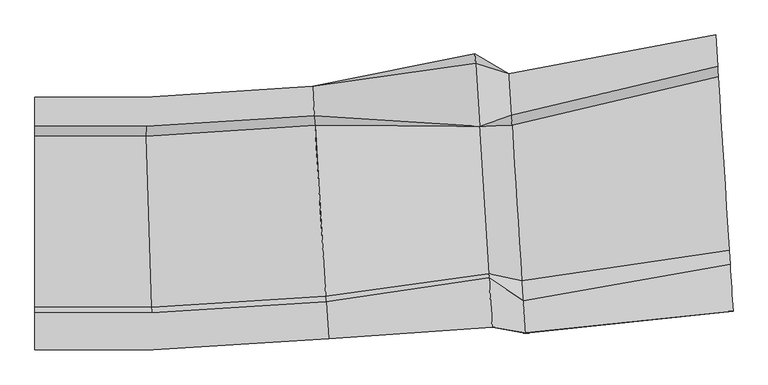
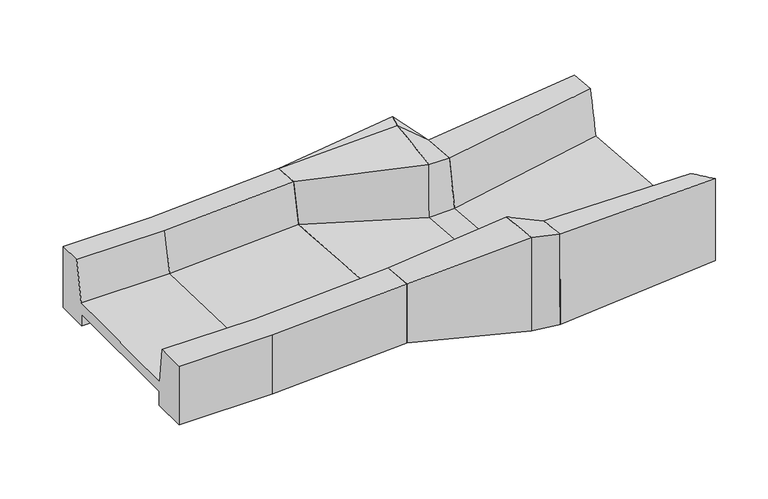
"""IFC4 building model written with IfcOpenShell, lengths in millimetres: geographic element geometry."""

from ifc_helpers import new_model, si_unit, frame, origin, place, context, project, spatial, faceted_brep, source, transform, mapped, element, save
from ifc_brep_helpers import plane_surface, spline_surface, advanced_brep


def geographic_element_cc7d3f2a(model_context):
    return source(origin(), model_context, "Body", "SolidModel", [
        faceted_brep([(-21563.610684, 13943.058151, -80.0000049), (-21563.610684, 13943.058151, 1917.617284), (-21518.1511815, 13226.4106958, 1917.6172835), (-21503.2377539, 12991.3075962, 655.4249661), (-21238.4962671, 8817.7838573, 615.9333587), (-21229.621913, 8677.8838816, 1757.6172808), (-21172.6462199, 7779.689153, 1757.6172808), (-21172.64622, 7779.6891538, -160.0000055), (-21239.3527541, 8831.2859664, -160.0000049), (-21239.352754, 8831.2859662, 299.9999951), (-21501.5704848, 12965.023891, 299.9999951), (-21501.5704848, 12965.023891, -80.0000049), (-25656.6548149, 13683.4217726, -80.0000049), (-25656.6548149, 13683.4217726, 1917.617284), (-28348.9468386, 13683.4217726, 1917.6172841), (-28348.9468386, 12965.3339358, 1917.6172836), (-25633.9022445, 12965.3339358, 1917.6172835), (-25626.4380446, 12729.7583051, 655.4249661), (-25493.9344095, 8547.8462479, 615.9333587), (-25489.4927778, 8407.6650889, 1757.6172808), (-28348.9468386, 8407.6650889, 1757.6172808), (-28348.9468386, 7507.6650889, 1757.6172808), (-25460.9763313, 7507.6650889, 1757.6172808), (-25460.9763314, 7507.6650897, -160.0000055), (-28348.9468386, 7507.6650897, -160.0000054), (-28348.9468386, 8561.3754948, -160.0000049), (-25494.3630829, 8561.3754948, -160.0000049), (-25494.3630829, 8561.3754946, 299.9999951), (-28348.9468386, 8561.3754946, 299.9999951), (-28348.9468386, 12703.4217726, 299.9999951), (-25625.6035731, 12703.4217726, 299.9999951), (-25625.6035731, 12703.4217726, -80.0000049), (-28348.9468386, 12703.4217726, -80.0000049), (-28348.9468386, 13683.4217726, -80.0000049), (-28348.9468386, 8547.8462479, 615.9333587), (-28348.9468386, 12729.7583051, 655.4249661)], [[[0, 1, 2, 3, 4, 5, 6, 7, 8, 9, 10, 11]], [[1, 0, 12, 13]], [[2, 1, 13, 14, 15, 16]], [[3, 2, 16, 17]], [[4, 3, 17, 18]], [[5, 4, 18, 19]], [[6, 5, 19, 20, 21, 22]], [[7, 6, 22, 23]], [[8, 7, 23, 24, 25, 26]], [[9, 8, 26, 27]], [[10, 9, 27, 28, 29, 30]], [[11, 10, 30, 31]], [[0, 11, 31, 32, 33, 12]], [[33, 32, 29, 28, 25, 24, 21, 20, 34, 35, 15, 14]], [[13, 12, 33, 14]], [[17, 16, 15, 35]], [[18, 17, 35, 34]], [[19, 18, 34, 20]], [[23, 22, 21, 24]], [[27, 26, 25, 28]], [[31, 30, 29, 32]]]),
        advanced_brep(
        [(-21563.610684, 13943.058151, 1917.617284), (-21563.610684, 13943.058151, -80.0000049), (-21501.5704848, 12965.023891, -80.0000049), (-21501.5704848, 12965.023891, 299.9999951), (-21239.352754, 8831.2859662, 299.9999951), (-21239.3527541, 8831.2859664, -160.0000049), (-21172.64622, 7779.6891538, -160.0000055), (-21172.6462199, 7779.689153, 1757.6172808), (-21229.621913, 8677.8838815, 1757.6172812), (-21238.4962671, 8817.7838573, 615.9333587), (-21503.2377539, 12991.3075962, 655.4249661), (-21518.1511815, 13226.4106958, 1917.6172835), (-17580.8617098, 14506.840735, 1588.7617334), (-17483.5390758, 12972.5956556, 1211.8479591), (-17483.5390758, 12972.5956549, -513.8763031), (-17254.4476343, 9361.0779397, -513.876302), (-17254.4476343, 9361.07794, 535.7295931), (-17248.1757423, 9262.2045428, 1668.1291268), (-17171.6805412, 8056.2940456, 1712.2309058), (-17171.6804199, 8056.2921346, -1342.5344843), (-17254.4476343, 9361.0779394, -1342.5344847), (-17254.4476343, 9361.0779396, -813.876302), (-17483.5390757, 12972.5956548, -813.8763031), (-17483.5390757, 12972.5956546, -1319.9999982), (-17559.5066282, 14170.1880207, -1319.9999986), (-17559.5066282, 14170.1880214, 535.7295992), (-17595.9396048, 14744.5365847, 535.729599), (-17595.9396048, 14744.5365851, 1745.3527072)],
        [
            (0, 1),
            (1, 2),
            (2, 3),
            (3, 4),
            (4, 5),
            (5, 6),
            (6, 7),
            (7, 8),
            (8, 9),
            (9, 10),
            (10, 11),
            (11, 0),
            (12, 13),
            (13, 14),
            (14, 15),
            (15, 16),
            (16, 17),
            (17, 18),
            (18, 19),
            (19, 20),
            (20, 21),
            (21, 22),
            (22, 23),
            (23, 24),
            (24, 25),
            (25, 26),
            (26, 27),
            (27, 12),
            (27, 0),
            (0, 12),
            (26, 1),
            (25, 2),
            (24, 2),
            (23, 2),
            (22, 3),
            (21, 4),
            (20, 5),
            (19, 6),
            (18, 7),
            (14, 10),
            (9, 15),
            (17, 8),
            (16, 9),
            (13, 11),
        ],
        [
            plane_surface(frame((-21370.3222834, 10895.9583629, 728.4856187), z_axis=(-0.9979941428318471, -0.06330632569756957, 0.0), x_axis=(-0.007715100346153283, 0.1216248909091013, -0.992546151641322))),
            plane_surface(frame((-17402.2023575, 11690.3609405, 97.0585655), z_axis=(0.9979941428318493, 0.06330632569753639, 0.0), x_axis=(-0.052897603515494176, 0.833905583630461, 0.5493662904950193))),
            plane_surface(frame((-17588.4006573, 14625.6886601, 1667.0572203), z_axis=(0.14471929538586994, -0.5379270386424596, 0.830476264947031), x_axis=(-0.052897603515494176, 0.833905583630461, 0.5493662904950193))),
            spline_surface(1, 1, [[(-17595.9396048, 14744.5365851, 1745.3527072), (-21563.610684, 13943.058151, 1917.617284)], [(-17595.9396048, 14744.5365847, 535.729599), (-21563.610684, 13943.058151, -80.0000049)]], [2, 2], [2, 2], [0.0, 1.0], [0.0, 1.0]),
            spline_surface(1, 1, [[(-17595.9396048, 14744.5365847, 535.729599), (-21563.610684, 13943.058151, -80.0000049)], [(-17559.5066282, 14170.1880214, 535.7295992), (-21501.5704848, 12965.023891, -80.0000049)]], [2, 2], [2, 2], [0.0, 1.0], [0.0, 1.0]),
            plane_surface(frame((-17559.5066282, 14170.188021, -392.1351997), z_axis=(-0.29236155731642266, 0.9563078582776136, -3.654774296634598e-10), x_axis=(2.378103309945654e-11, -3.7490518005116147e-10, -1.0))),
            plane_surface(frame((-17521.522852, 13571.3918376, -1319.9999984), z_axis=(-0.29480203400064664, -0.01870034407800709, -0.9553753492112124), x_axis=(0.06330632569753436, -0.9979941428318494, 2.9103828470881906e-10))),
            spline_surface(1, 1, [[(-17483.5390757, 12972.5956546, -1319.9999982), (-21501.5704848, 12965.023891, -80.0000049)], [(-17483.5390757, 12972.5956548, -813.8763031), (-21501.5704848, 12965.023891, 299.9999951)]], [2, 2], [2, 2], [0.0, 1.0], [0.0, 1.0]),
            spline_surface(1, 1, [[(-17483.5390757, 12972.5956548, -813.8763031), (-21501.5704848, 12965.023891, 299.9999951)], [(-17254.4476343, 9361.0779396, -813.876302), (-21239.352754, 8831.2859662, 299.9999951)]], [2, 2], [2, 2], [0.0, 1.0], [0.0, 1.0]),
            spline_surface(1, 1, [[(-17254.4476343, 9361.0779396, -813.876302), (-21239.352754, 8831.2859662, 299.9999951)], [(-17254.4476343, 9361.0779394, -1342.5344847), (-21239.3527541, 8831.2859664, -160.0000049)]], [2, 2], [2, 2], [0.0, 1.0], [0.0, 1.0]),
            spline_surface(1, 1, [[(-17254.4476343, 9361.0779394, -1342.5344847), (-21239.3527541, 8831.2859664, -160.0000049)], [(-17171.6804199, 8056.2921346, -1342.5344843), (-21172.64622, 7779.6891538, -160.0000055)]], [2, 2], [2, 2], [0.0, 1.0], [0.0, 1.0]),
            spline_surface(1, 1, [[(-17171.6804199, 8056.2921346, -1342.5344843), (-21172.64622, 7779.6891538, -160.0000055)], [(-17171.6805412, 8056.2940456, 1712.2309058), (-21172.6462199, 7779.689153, 1757.6172808)]], [2, 2], [2, 2], [0.0, 1.0], [0.0, 1.0]),
            spline_surface(1, 1, [[(-17254.4476343, 9361.0779397, -513.876302), (-21238.4962671, 8817.7838573, 615.9333587)], [(-17483.5390758, 12972.5956549, -513.8763031), (-21503.2377539, 12991.3075962, 655.4249661)]], [2, 2], [2, 2], [0.0, 1.0], [0.0, 1.0]),
            spline_surface(1, 1, [[(-17171.6805412, 8056.2940456, 1712.2309058), (-21172.6462199, 7779.689153, 1757.6172808)], [(-17248.1757423, 9262.2045428, 1668.1291268), (-21229.621913, 8677.8838815, 1757.6172812)]], [2, 2], [2, 2], [0.0, 1.0], [0.0, 1.0]),
            spline_surface(1, 1, [[(-17248.1757423, 9262.2045428, 1668.1291268), (-21229.621913, 8677.8838815, 1757.6172812)], [(-17254.4476343, 9361.07794, 535.7295931), (-21238.4962671, 8817.7838573, 615.9333587)]], [2, 2], [2, 2], [0.0, 1.0], [0.0, 1.0]),
            plane_surface(frame((-17254.4476343, 9361.0779398, 10.9266456), z_axis=(-0.13511679967162876, 0.9908296778187949, -3.124187940584413e-10), x_axis=(1.9831130959320942e-11, -3.126059725938031e-10, -1.0))),
            spline_surface(1, 1, [[(-17483.5390758, 12972.5956549, -513.8763031), (-21503.2377539, 12991.3075962, 655.4249661)], [(-17483.5390758, 12972.5956556, 1211.8479591), (-21518.1511815, 13226.4106958, 1917.6172835)]], [2, 2], [2, 2], [0.0, 1.0], [0.0, 1.0]),
            spline_surface(1, 1, [[(-17483.5390758, 12972.5956556, 1211.8479591), (-21518.1511815, 13226.4106958, 1917.6172835)], [(-17580.8617098, 14506.840735, 1588.7617334), (-21563.610684, 13943.058151, 1917.617284)]], [2, 2], [2, 2], [0.0, 1.0], [0.0, 1.0]),
        ],
        [
            (0, [[1, 2, 3, 4, 5, 6, 7, 8, 9, 10, 11, 12]]),
            (1, [[13, 14, 15, 16, 17, 18, 19, 20, 21, 22, 23, 24, 25, 26, 27, 28]]),
            (2, [[-28, 29, 30]]),
            (3, [[-27, 31, -1, -29]]),
            (4, [[-26, 32, -2, -31]]),
            (5, [[-25, 33, -32]]),
            (6, [[-24, 34, -33]]),
            (7, [[-23, 35, -3, -34]]),
            (8, [[-22, 36, -4, -35]]),
            (9, [[-21, 37, -5, -36]]),
            (10, [[-20, 38, -6, -37]]),
            (11, [[-19, 39, -7, -38]]),
            (12, [[-15, 40, -10, 41]]),
            (13, [[-18, 42, -8, -39]]),
            (14, [[-17, 43, -9, -42]]),
            (15, [[-16, -41, -43]]),
            (16, [[-14, 44, -11, -40]]),
            (17, [[-13, -30, -12, -44]]),
        ],
    ),
        advanced_brep(
        [(-17559.5066282, 14170.1880207, -1319.9999986), (-17483.5390757, 12972.5956546, -1319.9999982), (-17483.5390757, 12972.5956548, -813.8763031), (-17254.4476343, 9361.0779396, -813.876302), (-17254.4476343, 9361.0779394, -1342.5344847), (-17171.6804199, 8056.2921346, -1342.5344843), (-17171.6805412, 8056.2940456, 1712.2309058), (-17248.1757423, 9262.2045428, 1668.1291268), (-17254.4476343, 9361.07794, 535.7295931), (-17254.4476343, 9361.0779397, -513.876302), (-17483.5390758, 12972.5956549, -513.8763031), (-17483.5390758, 12972.5956556, 1211.8479591), (-17580.8617098, 14506.840735, 1588.7617334), (-17595.9396048, 14744.5365851, 1745.3527072), (-17595.9396048, 14744.5365847, 535.729599), (-17559.5066282, 14170.1880214, 535.7295992), (-16769.5868532, 14255.8956723, -1320.0000002), (-16769.5868532, 14255.8956732, 988.461496), (-16704.7766619, 13234.1938037, 988.461496), (-16689.6765186, 12996.14722, -508.5773898), (-16448.5654777, 9195.1462302, -520.9718328), (-16417.8268724, 8710.5667238, 1582.1912531), (-16367.977621, 7924.7169639, 1624.2317678), (-16367.2657407, 7913.494508, -1320.0000004), (-16449.877707, 9215.8329018, -1320.0000006), (-16449.877707, 9215.8329019, -800.0000002), (-16693.6192624, 13058.3027015, -800.0000008), (-16693.6192624, 13058.3027014, -1320.0000002)],
        [
            (0, 1),
            (1, 2),
            (2, 3),
            (3, 4),
            (4, 5),
            (5, 6),
            (6, 7),
            (7, 8),
            (8, 9),
            (9, 10),
            (10, 11),
            (11, 12),
            (12, 13),
            (13, 14),
            (14, 15),
            (15, 0),
            (16, 17),
            (17, 18),
            (18, 19),
            (19, 20),
            (20, 21),
            (21, 22),
            (22, 23),
            (23, 24),
            (24, 25),
            (25, 26),
            (26, 27),
            (27, 16),
            (12, 17),
            (17, 13),
            (26, 2),
            (1, 27),
            (25, 3),
            (24, 4),
            (23, 5),
            (22, 6),
            (21, 7),
            (8, 20),
            (20, 9),
            (19, 10),
            (0, 16),
            (18, 11),
            (17, 14),
            (17, 15),
        ],
        [
            plane_surface(frame((-17402.2023575, 11690.3609405, 97.0585655), z_axis=(-0.9979941428318491, -0.0633063256975375, 0.0), x_axis=(-0.05289760351549394, 0.8339055836304603, 0.5493662904950203))),
            plane_surface(frame((-16568.5213781, 11086.1940001, -227.1836009), z_axis=(0.9979941428318494, 0.06330632569753321, 0.0), x_axis=(0.06330632569753321, -0.9979941428318494, -4.433776901684808e-11))),
            plane_surface(frame((-16769.5868532, 14255.8956727, 988.461496), z_axis=(0.4208676414184239, -0.4802729874848545, 0.769550703917075), x_axis=(-0.05289760351549394, 0.8339055836304603, 0.5493662904950203))),
            plane_surface(frame((-16693.6192624, 13058.3027015, -1060.0000002), z_axis=(0.10786786859504838, -0.9941652392458517, 3.712507600146552e-10), x_axis=(-2.3525448653072013e-11, 3.708770991534591e-10, 1.0))),
            plane_surface(frame((-16571.7484847, 11137.0678016, -800.0000002), z_axis=(0.017443979067026393, 0.0011065334466750722, -0.9998472299196716), x_axis=(0.06330632569753387, -0.9979941428318494, 3.21698021069555e-10))),
            plane_surface(frame((-16449.877707, 9215.8329018, -1060.0000003), z_axis=(0.1776534713409638, 0.9840931074448726, -3.0410990511321434e-10), x_axis=(1.9830170964310927e-11, -3.126053840790081e-10, -1.0))),
            plane_surface(frame((-16408.5717238, 8564.6637049, -1320.0000004), z_axis=(0.02832114666958148, 0.0017965109234778847, -0.9995972615007618), x_axis=(0.06330632569753591, -0.9979941428318493, 3.5617128811897555e-10))),
            spline_surface(1, 1, [[(-16367.2657407, 7913.494508, -1320.0000004), (-17171.6804199, 8056.2921346, -1342.5344843)], [(-16367.977621, 7924.7169639, 1624.2317678), (-17171.6805412, 8056.2940456, 1712.2309058)]], [2, 2], [2, 2], [0.0, 1.0], [0.0, 1.0]),
            spline_surface(1, 1, [[(-16367.977621, 7924.7169639, 1624.2317678), (-17171.6805412, 8056.2940456, 1712.2309058)], [(-16417.8268724, 8710.5667238, 1582.1912531), (-17248.1757423, 9262.2045428, 1668.1291268)]], [2, 2], [2, 2], [0.0, 1.0], [0.0, 1.0]),
            plane_surface(frame((-16448.5654777, 9195.1462302, -520.9718328), z_axis=(0.20167017081279037, 0.979453491598422, -3.0218328096303083e-10), x_axis=(1.9830170964310927e-11, -3.126053840790081e-10, -1.0))),
            spline_surface(1, 1, [[(-16448.5654777, 9195.1462302, -520.9718328), (-17254.4476343, 9361.0779397, -513.876302)], [(-16689.6765186, 12996.14722, -508.5773898), (-17483.5390758, 12972.5956549, -513.8763031)]], [2, 2], [2, 2], [0.0, 1.0], [0.0, 1.0]),
            spline_surface(1, 1, [[(-16417.8268724, 8710.5667238, 1582.1912531), (-17248.1757423, 9262.2045428, 1668.1291268)], [(-16448.5654777, 9195.1462302, -520.9718328), (-17254.4476343, 9361.07794, 535.7295931)]], [2, 2], [2, 2], [0.0, 1.0], [0.0, 1.0]),
            plane_surface(frame((-16731.6030578, 13657.0991871, -1320.0000002), z_axis=(-2.2181282242499655e-09, -4.3232701876165107e-10, -1.0000000000000002), x_axis=(0.06330632569753464, -0.9979941428318494, 2.9103828470882035e-10))),
            spline_surface(1, 1, [[(-16689.6765186, 12996.14722, -508.5773898), (-17483.5390758, 12972.5956549, -513.8763031)], [(-16704.7766619, 13234.1938037, 988.461496), (-17483.5390758, 12972.5956556, 1211.8479591)]], [2, 2], [2, 2], [0.0, 1.0], [0.0, 1.0]),
            spline_surface(1, 1, [[(-16704.7766619, 13234.1938037, 988.461496), (-17483.5390758, 12972.5956556, 1211.8479591)], [(-16769.5868532, 14255.8956727, 988.461496), (-17580.8617098, 14506.840735, 1588.7617334)]], [2, 2], [2, 2], [0.0, 1.0], [0.0, 1.0]),
            plane_surface(frame((-16769.5868532, 14255.8956727, 988.461496), z_axis=(0.5089929940958311, 0.8607706616523133, -3.1120665023388043e-10), x_axis=(2.3828004372655065e-11, -3.7563424490116946e-10, -1.0))),
            plane_surface(frame((-16769.5868532, 14255.8956727, 988.461496), z_axis=(0.4944471593413346, 0.031364545532254394, -0.8686416245511379), x_axis=(0.06330632569753894, -0.9979941428318491, 2.0228449695443254e-10))),
            plane_surface(frame((-16769.5868532, 14255.8956727, -165.7692521), z_axis=(-0.10786862623060278, 0.9941651570413854, -3.7528276868360193e-10), x_axis=(2.3779866046745173e-11, -3.7490518005116147e-10, -1.0))),
        ],
        [
            (0, [[1, 2, 3, 4, 5, 6, 7, 8, 9, 10, 11, 12, 13, 14, 15, 16]]),
            (1, [[17, 18, 19, 20, 21, 22, 23, 24, 25, 26, 27, 28]]),
            (2, [[-13, 29, 30]]),
            (3, [[-27, 31, -2, 32]]),
            (4, [[-26, 33, -3, -31]]),
            (5, [[-25, 34, -4, -33]]),
            (6, [[-24, 35, -5, -34]]),
            (7, [[-23, 36, -6, -35]]),
            (8, [[-22, 37, -7, -36]]),
            (9, [[-9, 38, 39]]),
            (10, [[-20, 40, -10, -39]]),
            (11, [[-21, -38, -8, -37]]),
            (12, [[-28, -32, -1, 41]]),
            (13, [[-19, 42, -11, -40]]),
            (14, [[-18, -29, -12, -42]]),
            (15, [[-14, -30, 43]]),
            (16, [[-15, -43, 44]]),
            (17, [[-17, -41, -16, -44]]),
        ],
    ),
        advanced_brep(
        [(-11287.1681306, 8445.1980395, -1334.8727052), (-11368.9478318, 9734.41617, -1334.8727052), (-11368.9478318, 9734.41617, -874.8727052), (-11639.8127667, 14004.4731587, -874.8727052), (-11639.8127667, 14004.4731586, -1432.3067166), (-11715.7479836, 15201.5557709, -1432.3067167), (-11715.7479836, 15201.5557711, 755.4711258), (-11667.5051413, 14441.0302857, 755.4711258), (-11651.2023284, 14184.0241879, -632.3067161), (-11381.9004331, 9938.6077743, -632.3067161), (-11360.5944022, 9602.7283211, 825.4711263), (-11287.1681306, 8445.1980395, 1325.1272948), (-16367.2657407, 7913.494508, -1320.0000003), (-16367.977621, 7924.7169639, 1624.2317678), (-16417.8268724, 8710.5667238, 1582.1912531), (-16448.5654777, 9195.1462302, -520.9718328), (-16689.6765186, 12996.14722, -508.5773898), (-16704.7766619, 13234.1938037, 988.461496), (-16769.5868532, 14255.8956727, 988.461496), (-16769.5868532, 14255.8956727, -1320.0000002), (-16693.6192624, 13058.3027015, -1320.0000002), (-16693.6192624, 13058.3027015, -800.0000002), (-16449.877707, 9215.8329018, -800.0000002), (-16449.877707, 9215.8329018, -1320.0000004)],
        [
            (0, 1),
            (1, 2),
            (2, 3),
            (3, 4),
            (4, 5),
            (5, 6),
            (6, 7),
            (7, 8),
            (8, 9),
            (9, 10),
            (10, 11),
            (11, 0),
            (12, 13),
            (13, 14),
            (14, 15),
            (15, 16),
            (16, 17),
            (17, 18),
            (18, 19),
            (19, 20),
            (20, 21),
            (21, 22),
            (22, 23),
            (23, 12),
            (23, 1),
            (0, 12),
            (22, 2),
            (21, 3),
            (20, 4),
            (19, 5),
            (18, 6),
            (17, 7),
            (16, 8),
            (15, 9),
            (14, 10),
            (13, 11),
        ],
        [
            plane_surface(frame((-11507.0463109, 11911.4730706, -407.2647511), z_axis=(0.9979941428318493, 0.06330632569753797, 0.0), x_axis=(0.014240824712296223, -0.22449983465902473, 0.9743700647852357))),
            plane_surface(frame((-16568.5213781, 11086.1940001, -227.1836009), z_axis=(-0.9979941428318494, -0.06330632569753458, 0.0), x_axis=(-0.06330632569753458, 0.9979941428318494, -4.48664422031807e-11))),
            plane_surface(frame((-16408.5717238, 8564.6637049, -1320.0000004), z_axis=(-0.00290832015393285, -0.00018448511368843165, -0.9999957538105475), x_axis=(-0.06330632569753536, 0.9979941428318493, 0.0))),
            plane_surface(frame((-16449.877707, 9215.8329018, -1060.0000003), z_axis=(-0.10153714228610108, 0.9948317489587735, 0.0), x_axis=(0.0, 0.0, 1.0))),
            plane_surface(frame((-16571.7484847, 11137.0678016, -800.0000002), z_axis=(-0.014639656645444817, -0.0009286456021375654, -0.9998924032467941), x_axis=(-0.0633063256975355, 0.9979941428318493, 0.0))),
            spline_surface(1, 1, [[(-16693.6192624, 13058.3027015, -800.0000002), (-11639.8127667, 14004.4731587, -874.8727052)], [(-16693.6192624, 13058.3027015, -1320.0000002), (-11639.8127667, 14004.4731586, -1432.3067166)]], [2, 2], [2, 2], [0.0, 1.0], [0.0, 1.0]),
            spline_surface(1, 1, [[(-16693.6192624, 13058.3027015, -1320.0000002), (-11639.8127667, 14004.4731586, -1432.3067166)], [(-16769.5868532, 14255.8956727, -1320.0000002), (-11715.7479836, 15201.5557709, -1432.3067167)]], [2, 2], [2, 2], [0.0, 1.0], [0.0, 1.0]),
            spline_surface(1, 1, [[(-16769.5868532, 14255.8956727, -1320.0000002), (-11715.7479836, 15201.5557709, -1432.3067167)], [(-16769.5868532, 14255.8956727, 988.4614961), (-11715.7479836, 15201.5557711, 755.4711258)]], [2, 2], [2, 2], [0.0, 1.0], [0.0, 1.0]),
            plane_surface(frame((-16737.1817576, 13745.0447382, 988.461496), z_axis=(0.045513472825149066, 0.0028870818080343912, 0.9989595530100448), x_axis=(0.0633063256975331, -0.9979941428318495, 0.0))),
            spline_surface(1, 1, [[(-16704.7766619, 13234.1938037, 988.461496), (-11667.5051413, 14441.0302857, 755.4711258)], [(-16689.6765186, 12996.14722, -508.5773898), (-11651.2023284, 14184.0241879, -632.3067161)]], [2, 2], [2, 2], [0.0, 1.0], [0.0, 1.0]),
            spline_surface(1, 1, [[(-16689.6765186, 12996.14722, -508.5773898), (-11651.2023284, 14184.0241879, -632.3067161)], [(-16448.5654777, 9195.1462302, -520.9718328), (-11381.9004331, 9938.6077743, -632.3067161)]], [2, 2], [2, 2], [0.0, 1.0], [0.0, 1.0]),
            plane_surface(frame((-16433.196175, 8952.856477, 530.6097101), z_axis=(-0.136654689856296, 0.9648882939608261, 0.22431245154392643), x_axis=(0.014240824712296223, -0.22449983465902473, 0.9743700647852357))),
            spline_surface(1, 1, [[(-16417.8268724, 8710.5667238, 1582.1912531), (-11360.5944022, 9602.7283211, 825.4711263)], [(-16367.977621, 7924.7169639, 1624.2317678), (-11287.1681306, 8445.1980395, 1325.1272948)]], [2, 2], [2, 2], [0.0, 1.0], [0.0, 1.0]),
            spline_surface(1, 1, [[(-16367.977621, 7924.7169639, 1624.2317678), (-11287.1681306, 8445.1980395, 1325.1272948)], [(-16367.2657407, 7913.494508, -1320.0000003), (-11287.1681306, 8445.1980395, -1334.8727052)]], [2, 2], [2, 2], [0.0, 1.0], [0.0, 1.0]),
        ],
        [
            (0, [[1, 2, 3, 4, 5, 6, 7, 8, 9, 10, 11, 12]]),
            (1, [[13, 14, 15, 16, 17, 18, 19, 20, 21, 22, 23, 24]]),
            (2, [[-24, 25, -1, 26]]),
            (3, [[-23, 27, -2, -25]]),
            (4, [[-22, 28, -3, -27]]),
            (5, [[-21, 29, -4, -28]]),
            (6, [[-20, 30, -5, -29]]),
            (7, [[-19, 31, -6, -30]]),
            (8, [[-18, 32, -7, -31]]),
            (9, [[-17, 33, -8, -32]]),
            (10, [[-16, 34, -9, -33]]),
            (11, [[-15, 35, -10, -34]]),
            (12, [[-14, 36, -11, -35]]),
            (13, [[-13, -26, -12, -36]]),
        ],
    ),
    ])


if __name__ == "__main__":
    model = new_model("IFC4")
    model_context = context("Model", 3, world=origin())
    ifc_project = project(units=[si_unit("LENGTHUNIT", "METRE", prefix="MILLI")], contexts=[model_context])
    site = spatial("IfcSite", under=ifc_project)
    building = spatial("IfcBuilding", under=site)
    placement = place(None, origin())
    geographic_element_shape = geographic_element_cc7d3f2a(model_context)
    element("IfcGeographicElement", 1, at=placement, inside=building, context=model_context, shape_type="MappedRepresentation", body=[
        mapped(geographic_element_shape, transform((0.0, 0.0, 0.0), x_axis=(1.0, 0.0, 0.0), y_axis=(0.0, 1.0, 0.0), z_axis=(0.0, 0.0, 1.0))),
    ])
    save(model, "model.ifc")
